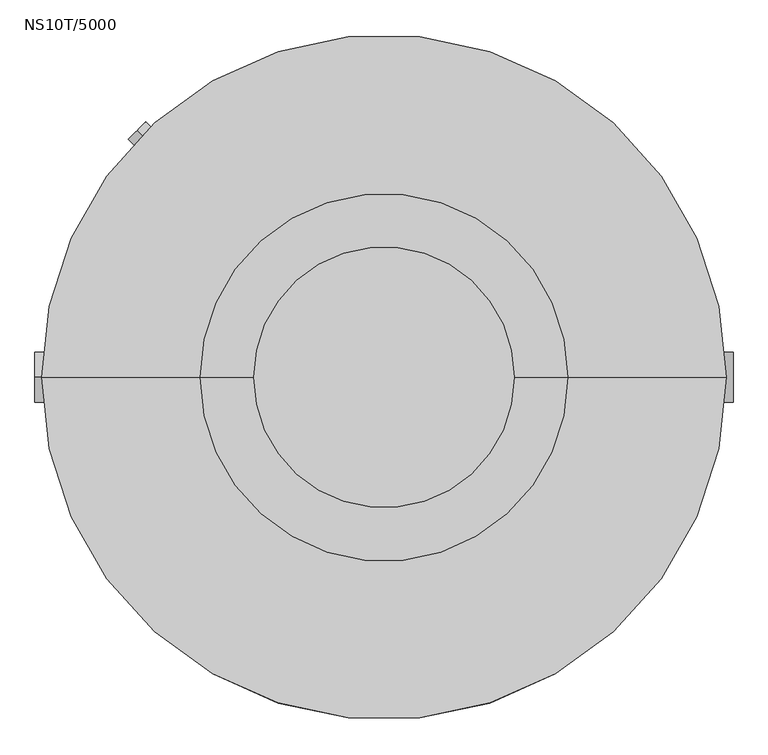
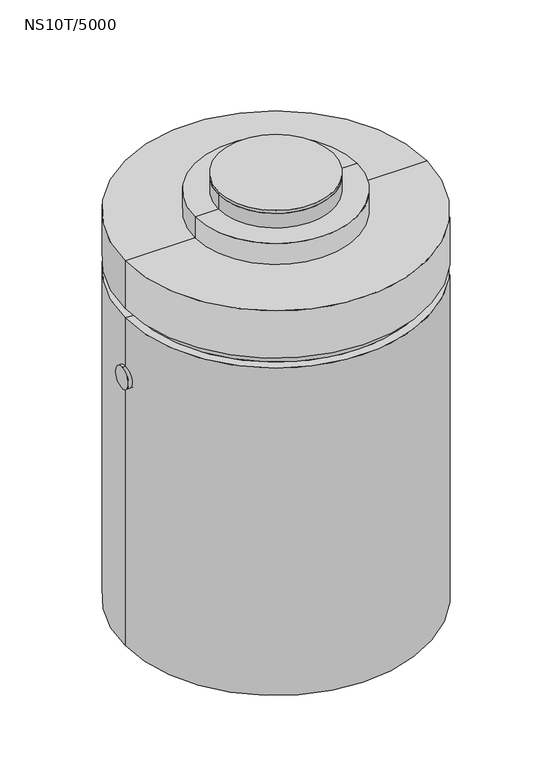
"""IFC4 building model written with IfcOpenShell, lengths in millimetres: proxy geometry, NS10T/5000."""

from ifc_helpers import new_model, si_unit, point, frame, frame_2d, origin, origin_2d, place, context, project, spatial, polyline, circle_curve, ellipse_curve, trimmed, segment, composite_curve, outline, extrude, source, transform, mapped, element, save
from ifc_brep_helpers import plane_surface, cylinder_surface, revolved_surface, advanced_brep


def ns10t_5000_dfcfe455(model_context):
    return source(origin(), model_context, "Body", "SolidModel", [
        extrude(outline(composite_curve([segment(trimmed(circle_curve(origin_2d(), 390.0), [point((-390.0, 0.0))], [point((390.0, 0.0))], False, "CARTESIAN"), True, "CONTINUOUS"), segment(trimmed(circle_curve(origin_2d(), 390.0), [point((390.0, 0.0))], [point((-390.0, 0.0))], False, "CARTESIAN"), True, "CONTINUOUS")], self_intersect=False)), frame((0.0, 0.0, -20.0), z_axis=(0.0, 0.0, 1.0), x_axis=(1.0, 0.0, 0.0)), (0.0, 0.0, 1.0), 20.0),
        extrude(outline(composite_curve([segment(trimmed(circle_curve(origin_2d(), 390.0), [point((-390.0, 0.0))], [point((390.0, 0.0))], False, "CARTESIAN"), True, "CONTINUOUS"), segment(trimmed(circle_curve(origin_2d(), 390.0), [point((390.0, 0.0))], [point((-390.0, 0.0))], False, "CARTESIAN"), True, "CONTINUOUS")], self_intersect=False)), frame((0.0, 0.0, -125.0), z_axis=(0.0, 0.0, 1.0), x_axis=(1.0, 0.0, 0.0)), (0.0, 0.0, 1.0), 105.0),
        advanced_brep(
        [(550.0, 0.0, -275.0), (-550.0, 0.0, -275.0), (-550.0, 0.0, -125.0869772), (550.0, 0.0, -125.0869772), (0.0, 0.0, -275.0), (0.0, 0.0, -125.0869772)],
        [
            (0, 1, circle_curve(frame((0.0, 0.0, -275.0), z_axis=(0.0, 0.0, 1.0), x_axis=(-1.0, 0.0, 0.0)), 550.0)),
            (1, 2),
            (2, 3, circle_curve(frame((0.0, 0.0, -125.0869772), z_axis=(0.0, 0.0, -1.0), x_axis=(-1.0, 0.0, 0.0)), 550.0)),
            (3, 0),
            (1, 0, circle_curve(frame((0.0, 0.0, -275.0), z_axis=(0.0, 0.0, 1.0), x_axis=(-1.0, 0.0, 0.0)), 550.0)),
            (3, 2, circle_curve(frame((0.0, 0.0, -125.0869772), z_axis=(0.0, 0.0, -1.0), x_axis=(-1.0, 0.0, 0.0)), 550.0)),
            (4, 1),
            (0, 4),
            (2, 5),
            (5, 3),
        ],
        [
            cylinder_surface(frame((0.0, 0.0, -135.0), z_axis=(0.0, 0.0, -1.0), x_axis=(-1.0, 0.0, 0.0)), 550.0),
            plane_surface(frame((0.0, 0.0, -275.0), z_axis=(0.0, 0.0, -1.0), x_axis=(-1.0, 0.0, 0.0))),
            plane_surface(frame((0.0, 0.0, -125.0869772), z_axis=(0.0, 0.0, 1.0), x_axis=(-1.0, 0.0, 0.0))),
        ],
        [
            (0, [[1, 2, 3, 4]]),
            (0, [[5, -4, 6, -2]]),
            (1, [[7, -1, 8]]),
            (1, [[-8, -5, -7]]),
            (2, [[-3, 9, 10]]),
            (2, [[-6, -10, -9]]),
        ],
    ),
        advanced_brep(
        [(1025.0, 0.0, -275.0), (-1025.0, 0.0, -275.0), (0.0, 0.0, -275.0), (1025.0, 0.0, -615.0), (-1025.0, 0.0, -615.0), (965.0, 0.0, -615.0), (-965.0, 0.0, -615.0), (965.0, 0.0, -535.0), (-965.0, 0.0, -535.0), (0.0, 0.0, -535.0)],
        [
            (0, 1, circle_curve(frame((0.0, 0.0, -275.0), z_axis=(0.0, 0.0, 1.0), x_axis=(-1.0, 0.0, 0.0)), 1025.0)),
            (1, 2),
            (2, 0),
            (1, 0, circle_curve(frame((0.0, 0.0, -275.0), z_axis=(0.0, 0.0, 1.0), x_axis=(-1.0, 0.0, 0.0)), 1025.0)),
            (3, 4, circle_curve(frame((0.0, 0.0, -615.0), z_axis=(0.0, 0.0, 1.0), x_axis=(-1.0, 0.0, 0.0)), 1025.0)),
            (4, 1),
            (0, 3),
            (4, 3, circle_curve(frame((0.0, 0.0, -615.0), z_axis=(0.0, 0.0, 1.0), x_axis=(-1.0, 0.0, 0.0)), 1025.0)),
            (5, 6, circle_curve(frame((0.0, 0.0, -615.0), z_axis=(0.0, 0.0, 1.0), x_axis=(-1.0, 0.0, 0.0)), 965.0)),
            (6, 4),
            (3, 5),
            (6, 5, circle_curve(frame((0.0, 0.0, -615.0), z_axis=(0.0, 0.0, 1.0), x_axis=(-1.0, 0.0, 0.0)), 965.0)),
            (7, 8, circle_curve(frame((0.0, 0.0, -535.0), z_axis=(0.0, 0.0, 1.0), x_axis=(-1.0, 0.0, 0.0)), 965.0)),
            (8, 6),
            (5, 7),
            (8, 7, circle_curve(frame((0.0, 0.0, -535.0), z_axis=(0.0, 0.0, 1.0), x_axis=(-1.0, 0.0, 0.0)), 965.0)),
            (9, 8),
            (7, 9),
        ],
        [
            plane_surface(frame((0.0, 0.0, -275.0), z_axis=(0.0, 0.0, 1.0), x_axis=(-1.0, 0.0, 0.0))),
            cylinder_surface(frame((0.0, 0.0, -260.0), z_axis=(0.0, 0.0, -1.0), x_axis=(-1.0, 0.0, 0.0)), 1025.0),
            plane_surface(frame((0.0, 0.0, -615.0), z_axis=(0.0, 0.0, -1.0), x_axis=(-1.0, 0.0, 0.0))),
            revolved_surface(polyline([(-965.0, 0.0, -615.0), (-965.0, 0.0, -535.0)]), (0.0, 0.0, -260.0), (0.0, 0.0, -1.0)),
            plane_surface(frame((0.0, 0.0, -535.0), z_axis=(0.0, 0.0, -1.0), x_axis=(-1.0, 0.0, 0.0))),
        ],
        [
            (0, [[1, 2, 3]]),
            (0, [[4, -3, -2]]),
            (1, [[5, 6, -1, 7]]),
            (1, [[8, -7, -4, -6]]),
            (2, [[9, 10, -5, 11]]),
            (2, [[12, -11, -8, -10]]),
            (3, [[13, 14, -9, 15]]),
            (3, [[16, -15, -12, -14]]),
            (4, [[17, -13, 18]]),
            (4, [[-18, -16, -17]]),
        ],
    ),
        extrude(outline(composite_curve([segment(trimmed(circle_curve(origin_2d(), 875.0), [point((-875.0, 0.0))], [point((330.9917809, 809.9811362))], False, "CARTESIAN"), True, "CONTINUOUS"), segment(polyline([(330.9917809, 809.9811362), (330.9917809, -97.3110528), (330.9917809, -809.9811362)]), True, "CONTINUOUS"), segment(trimmed(circle_curve(origin_2d(), 875.0), [point((330.9917809, -809.9811362))], [point((-875.0, 0.0))], False, "CARTESIAN"), True, "CONTINUOUS")], self_intersect=False), holes=[composite_curve([segment(trimmed(circle_curve(origin_2d(), 325.0), [point((306.8434606, 107.107846))], [point((-325.0, 0.0))], True, "CARTESIAN"), True, "CONTINUOUS"), segment(trimmed(circle_curve(origin_2d(), 325.0), [point((-325.0, 0.0))], [point((306.8434606, 107.107846))], True, "CARTESIAN"), True, "CONTINUOUS")], self_intersect=False)]), frame((0.0, 0.0, -2707.0), z_axis=(0.0, 0.0, 1.0), x_axis=(1.0, 0.0, 0.0)), (0.0, 0.0, 1.0), 1682.0),
        extrude(outline(composite_curve([segment(trimmed(circle_curve(origin_2d(), 875.0), [point((-875.0, 0.0))], [point((875.0, 0.0))], False, "CARTESIAN"), True, "CONTINUOUS"), segment(trimmed(circle_curve(origin_2d(), 875.0), [point((875.0, 0.0))], [point((-875.0, 0.0))], False, "CARTESIAN"), True, "CONTINUOUS")], self_intersect=False), holes=[composite_curve([segment(trimmed(circle_curve(origin_2d(), 873.0), [point((-873.0, 0.0))], [point((873.0, 0.0))], True, "CARTESIAN"), True, "CONTINUOUS"), segment(trimmed(circle_curve(origin_2d(), 873.0), [point((873.0, 0.0))], [point((-873.0, 0.0))], True, "CARTESIAN"), True, "CONTINUOUS")], self_intersect=False)]), frame((0.0, 0.0, -2835.0), z_axis=(0.0, 0.0, 1.0), x_axis=(1.0, 0.0, 0.0)), (0.0, 0.0, 1.0), 2230.0),
        extrude(outline(composite_curve([segment(trimmed(circle_curve(frame_2d((0.0, -37.5)), 37.5), [point((0.0, -75.0))], [point((0.0, 0.0))], False, "CARTESIAN"), True, "CONTINUOUS"), segment(trimmed(circle_curve(frame_2d((0.0, -37.5)), 37.5), [point((0.0, 0.0))], [point((0.0, -75.0))], False, "CARTESIAN"), True, "CONTINUOUS")], self_intersect=False)), frame((-583.3630945, 583.3630945, -790.4626011), z_axis=(-0.7071067811865481, 0.707106781186547, 0.0), x_axis=(-0.707106781186547, -0.7071067811865481, 0.0)), (0.0, 0.0, 1.0), 220.0),
        advanced_brep(
        [(0.0, 75.0, -2707.0), (0.0, -75.0, -2707.0), (0.0, 75.0, -2827.0), (0.0, -75.0, -2827.0), (755.0, 75.0, -2827.0), (755.0, -75.0, -2827.0), (755.0, 75.0, -1125.0), (755.0, -75.0, -1125.0), (1045.0, 75.0, -1125.0), (1045.0, -75.0, -1125.0)],
        [
            (0, 1, circle_curve(frame((0.0, 0.0, -2707.0), z_axis=(0.0, 0.0, 1.0), x_axis=(0.0, -1.0, 0.0)), 75.0)),
            (1, 0, circle_curve(frame((0.0, 0.0, -2707.0), z_axis=(0.0, 0.0, 1.0), x_axis=(0.0, -1.0, 0.0)), 75.0)),
            (0, 2),
            (2, 3, ellipse_curve(frame((0.0, 0.0, -2827.0), z_axis=(-0.7071067811865475, 0.0, 0.7071067811865475), x_axis=(0.7071067811865474, 0.0, 0.7071067811865476)), 106.0660172, 75.0)),
            (3, 1),
            (3, 2, ellipse_curve(frame((0.0, 0.0, -2827.0), z_axis=(-0.7071067811865475, 0.0, 0.7071067811865475), x_axis=(0.7071067811865474, 0.0, 0.7071067811865476)), 106.0660172, 75.0)),
            (2, 4),
            (4, 5, ellipse_curve(frame((755.0, 0.0, -2827.0), z_axis=(-0.7071067811865475, 0.0, -0.7071067811865475), x_axis=(-0.7071067811865476, 0.0, 0.7071067811865474)), 106.0660172, 75.0)),
            (5, 3),
            (5, 4, ellipse_curve(frame((755.0, 0.0, -2827.0), z_axis=(-0.7071067811865475, 0.0, -0.7071067811865475), x_axis=(-0.7071067811865476, 0.0, 0.7071067811865474)), 106.0660172, 75.0)),
            (4, 6),
            (6, 7, ellipse_curve(frame((755.0, 0.0, -1125.0), z_axis=(-0.7071067811865475, 0.0, -0.7071067811865475), x_axis=(0.7071067811865474, 0.0, -0.7071067811865476)), 106.0660172, 75.0)),
            (7, 5),
            (7, 6, ellipse_curve(frame((755.0, 0.0, -1125.0), z_axis=(-0.7071067811865475, 0.0, -0.7071067811865475), x_axis=(0.7071067811865474, 0.0, -0.7071067811865476)), 106.0660172, 75.0)),
            (8, 9, circle_curve(frame((1045.0, 0.0, -1125.0), z_axis=(1.0, 0.0, 0.0), x_axis=(0.0, -1.0, 0.0)), 75.0)),
            (9, 8, circle_curve(frame((1045.0, 0.0, -1125.0), z_axis=(1.0, 0.0, 0.0), x_axis=(0.0, -1.0, 0.0)), 75.0)),
            (6, 8),
            (9, 7),
        ],
        [
            plane_surface(frame((0.0, 0.0, -2707.0), z_axis=(0.0, 0.0, 1.0), x_axis=(0.0, -1.0, 0.0))),
            cylinder_surface(frame((0.0, 0.0, -2707.0), z_axis=(0.0, 0.0, 1.0), x_axis=(0.0, -1.0, 0.0)), 75.0),
            cylinder_surface(frame((0.0, 0.0, -2827.0), z_axis=(-1.0, 0.0, 0.0), x_axis=(0.0, -1.0, 0.0)), 75.0),
            cylinder_surface(frame((755.0, 0.0, -2827.0), z_axis=(0.0, 0.0, -1.0), x_axis=(0.0, -1.0, 0.0)), 75.0),
            plane_surface(frame((1045.0, 0.0, -1125.0), z_axis=(1.0, 0.0, 0.0), x_axis=(0.0, -1.0, 0.0))),
            cylinder_surface(frame((755.0, 0.0, -1125.0), z_axis=(-1.0, 0.0, 0.0), x_axis=(0.0, -1.0, 0.0)), 75.0),
        ],
        [
            (0, [[1, 2]]),
            (1, [[-1, 3, 4, 5]]),
            (1, [[-2, -5, 6, -3]]),
            (2, [[-4, 7, 8, 9]]),
            (2, [[-6, -9, 10, -7]]),
            (3, [[-8, 11, 12, 13]]),
            (3, [[-10, -13, 14, -11]]),
            (4, [[15, 16]]),
            (5, [[-12, 17, -16, 18]]),
            (5, [[-14, -18, -15, -17]]),
        ],
    ),
        extrude(outline(composite_curve([segment(trimmed(circle_curve(frame_2d((0.0, -1105.0)), 75.0), [point((0.0, -1180.0))], [point((0.0, -1030.0))], False, "CARTESIAN"), True, "CONTINUOUS"), segment(trimmed(circle_curve(frame_2d((0.0, -1105.0)), 75.0), [point((0.0, -1030.0))], [point((0.0, -1180.0))], False, "CARTESIAN"), True, "CONTINUOUS")], self_intersect=False)), frame((-1045.0, 0.0, 0.0), z_axis=(1.0, 0.0, 0.0), x_axis=(0.0, 1.0, 0.0)), (0.0, 0.0, 1.0), 200.0),
        advanced_brep(
        [(0.0, 0.0, -825.6945759), (185.0, 0.0, -825.6945759), (-185.0, 0.0, -825.6945759), (-185.0, 0.0, -2707.0), (185.0, 0.0, -2707.0), (0.0, 0.0, -2707.0)],
        [
            (0, 1),
            (1, 2, circle_curve(frame((0.0, 0.0, -825.6945759), z_axis=(0.0, 0.0, 1.0), x_axis=(1.0, 0.0, 0.0)), 185.0)),
            (2, 0),
            (2, 1, circle_curve(frame((0.0, 0.0, -825.6945759), z_axis=(0.0, 0.0, 1.0), x_axis=(1.0, 0.0, 0.0)), 185.0)),
            (3, 4, circle_curve(frame((0.0, 0.0, -2707.0), z_axis=(0.0, 0.0, -1.0), x_axis=(1.0, 0.0, 0.0)), 185.0)),
            (4, 5),
            (5, 3),
            (4, 3, circle_curve(frame((0.0, 0.0, -2707.0), z_axis=(0.0, 0.0, -1.0), x_axis=(1.0, 0.0, 0.0)), 185.0)),
            (1, 4),
            (3, 2),
        ],
        [
            plane_surface(frame((0.0, 0.0, -825.6945759), z_axis=(0.0, 0.0, 1.0), x_axis=(1.0, 0.0, 0.0))),
            plane_surface(frame((0.0, 0.0, -2707.0), z_axis=(0.0, 0.0, -1.0), x_axis=(1.0, 0.0, 0.0))),
            cylinder_surface(frame((0.0, 0.0, -845.0), z_axis=(0.0, 0.0, 1.0), x_axis=(1.0, 0.0, 0.0)), 185.0),
        ],
        [
            (0, [[1, 2, 3]]),
            (0, [[-3, 4, -1]]),
            (1, [[5, 6, 7]]),
            (1, [[8, -7, -6]]),
            (2, [[-2, 9, -5, 10]]),
            (2, [[-4, -10, -8, -9]]),
        ],
    ),
        advanced_brep(
        [(0.0, 0.0, -2835.0), (875.0, 0.0, -2835.0), (-875.0, 0.0, -2835.0), (-1025.0, 0.0, -3035.0), (1025.0, 0.0, -3035.0), (0.0, 0.0, -3035.0), (-1025.0, 0.0, -685.0), (1025.0, 0.0, -685.0), (875.0, 0.0, -605.0), (-875.0, 0.0, -605.0), (-965.0, 0.0, -685.0), (965.0, 0.0, -685.0), (-965.0, 0.0, -605.0), (965.0, 0.0, -605.0)],
        [
            (0, 1),
            (1, 2, circle_curve(frame((0.0, 0.0, -2835.0), z_axis=(0.0, 0.0, 1.0), x_axis=(1.0, 0.0, 0.0)), 875.0)),
            (2, 0),
            (2, 1, circle_curve(frame((0.0, 0.0, -2835.0), z_axis=(0.0, 0.0, 1.0), x_axis=(1.0, 0.0, 0.0)), 875.0)),
            (3, 4, circle_curve(frame((0.0, 0.0, -3035.0), z_axis=(0.0, 0.0, -1.0), x_axis=(1.0, 0.0, 0.0)), 1025.0)),
            (4, 5),
            (5, 3),
            (4, 3, circle_curve(frame((0.0, 0.0, -3035.0), z_axis=(0.0, 0.0, -1.0), x_axis=(1.0, 0.0, 0.0)), 1025.0)),
            (6, 7, circle_curve(frame((0.0, 0.0, -685.0), z_axis=(0.0, 0.0, -1.0), x_axis=(1.0, 0.0, 0.0)), 1025.0)),
            (7, 4),
            (3, 6),
            (7, 6, circle_curve(frame((0.0, 0.0, -685.0), z_axis=(0.0, 0.0, -1.0), x_axis=(1.0, 0.0, 0.0)), 1025.0)),
            (1, 8),
            (8, 9, circle_curve(frame((0.0, 0.0, -605.0), z_axis=(0.0, 0.0, 1.0), x_axis=(1.0, 0.0, 0.0)), 875.0)),
            (9, 2),
            (9, 8, circle_curve(frame((0.0, 0.0, -605.0), z_axis=(0.0, 0.0, 1.0), x_axis=(1.0, 0.0, 0.0)), 875.0)),
            (10, 11, circle_curve(frame((0.0, 0.0, -685.0), z_axis=(0.0, 0.0, -1.0), x_axis=(1.0, 0.0, 0.0)), 965.0)),
            (11, 7),
            (6, 10),
            (11, 10, circle_curve(frame((0.0, 0.0, -685.0), z_axis=(0.0, 0.0, -1.0), x_axis=(1.0, 0.0, 0.0)), 965.0)),
            (12, 13, circle_curve(frame((0.0, 0.0, -605.0), z_axis=(0.0, 0.0, -1.0), x_axis=(1.0, 0.0, 0.0)), 965.0)),
            (13, 11),
            (10, 12),
            (13, 12, circle_curve(frame((0.0, 0.0, -605.0), z_axis=(0.0, 0.0, -1.0), x_axis=(1.0, 0.0, 0.0)), 965.0)),
            (8, 13),
            (12, 9),
        ],
        [
            plane_surface(frame((0.0, 0.0, -2835.0), z_axis=(0.0, 0.0, 1.0), x_axis=(1.0, 0.0, 0.0))),
            plane_surface(frame((0.0, 0.0, -3035.0), z_axis=(0.0, 0.0, -1.0), x_axis=(1.0, 0.0, 0.0))),
            cylinder_surface(frame((0.0, 0.0, -605.0), z_axis=(0.0, 0.0, 1.0), x_axis=(1.0, 0.0, 0.0)), 1025.0),
            revolved_surface(polyline([(875.0, 0.0, -605.0), (875.0, 0.0, -2835.0)]), (0.0, 0.0, -605.0), (0.0, 0.0, 1.0)),
            plane_surface(frame((0.0, 0.0, -685.0), z_axis=(0.0, 0.0, 1.0), x_axis=(1.0, 0.0, 0.0))),
            cylinder_surface(frame((0.0, 0.0, -605.0), z_axis=(0.0, 0.0, 1.0), x_axis=(1.0, 0.0, 0.0)), 965.0),
            plane_surface(frame((0.0, 0.0, -605.0), z_axis=(0.0, 0.0, 1.0), x_axis=(1.0, 0.0, 0.0))),
        ],
        [
            (0, [[1, 2, 3]]),
            (0, [[-3, 4, -1]]),
            (1, [[5, 6, 7]]),
            (1, [[8, -7, -6]]),
            (2, [[9, 10, -5, 11]]),
            (2, [[12, -11, -8, -10]]),
            (3, [[-2, 13, 14, 15]]),
            (3, [[-4, -15, 16, -13]]),
            (4, [[17, 18, -9, 19]]),
            (4, [[20, -19, -12, -18]]),
            (5, [[21, 22, -17, 23]]),
            (5, [[24, -23, -20, -22]]),
            (6, [[-14, 25, -21, 26]]),
            (6, [[-16, -26, -24, -25]]),
        ],
    ),
    ])


if __name__ == "__main__":
    model = new_model("IFC4")
    model_context = context("Model", 3, world=origin())
    ifc_project = project(units=[si_unit("LENGTHUNIT", "METRE", prefix="MILLI")], contexts=[model_context])
    site = spatial("IfcSite", under=ifc_project)
    building = spatial("IfcBuilding", under=site)
    placement = place(None, origin())
    ns10t_5000_shape = ns10t_5000_dfcfe455(model_context)
    element("IfcBuildingElementProxy", 1, Name="NS10T/5000", ObjectType="NS10T/5000", at=placement, inside=building, context=model_context, shape_type="MappedRepresentation", body=[
        mapped(ns10t_5000_shape, transform((0.0, 0.0, 0.0), x_axis=(1.0, 0.0, 0.0), y_axis=(0.0, 1.0, 0.0), z_axis=(0.0, 0.0, 1.0))),
    ])
    save(model, "model.ifc")
